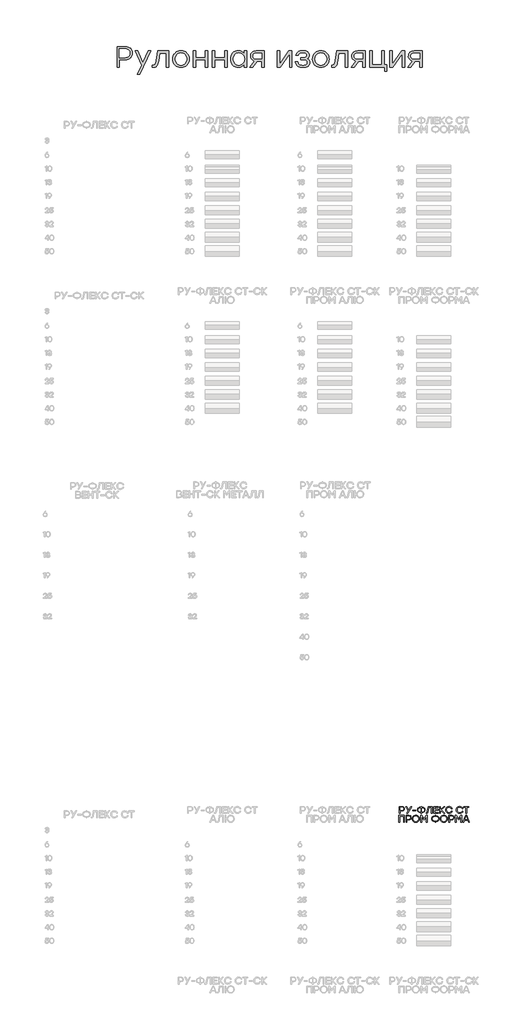
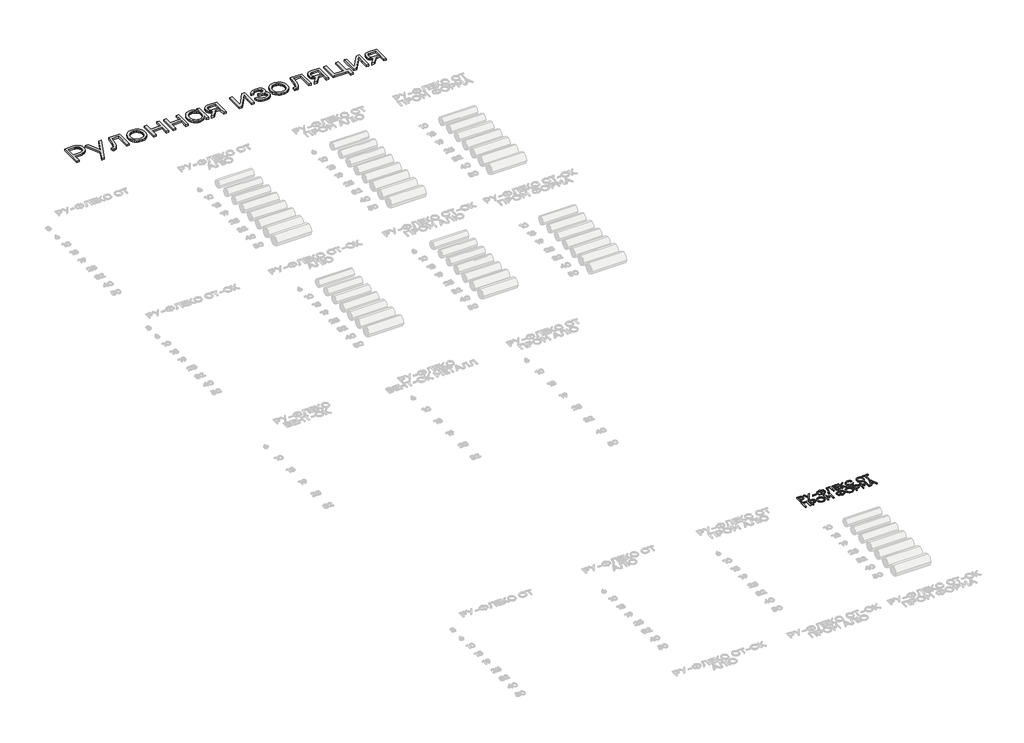
# One storey, part 40 of 41: 2 proxies.
"""IFC4 building model written with IfcOpenShell, lengths in millimetres."""

from ifc_helpers import new_model, si_unit, origin, origin_with_axes, place, context, project, spatial, polyline, outline, extrude, element, save

model = new_model("IFC4")

# Units and contexts
model_context = context("Model", 3, world=origin())
ifc_project = project(units=[si_unit("LENGTHUNIT", "METRE", prefix="MILLI")], contexts=[model_context])

# Site, building, storey
site = spatial("IfcSite", under=ifc_project)
building = spatial("IfcBuilding", under=site)
storey = spatial("IfcBuildingStorey", under=building, Elevation=0.0)

# Proxies
placement = place(None, origin())
element("IfcBuildingElementProxy", 1, Name="Generic Models", at=placement, inside=storey, context=model_context, shape_type="SweptSolid", body=[
    extrude(outline(polyline([(23779.9160393, -5298.1485805), (23826.3264289, -5301.5113586), (23867.3482704, -5311.599693), (23902.9815638, -5328.4135835), (23933.2263092, -5351.9530304), (23957.3329716, -5380.8101233), (23974.5520162, -5413.5769523), (23984.8834429, -5450.2535172), (23988.3272518, -5490.8398182), (23984.8530564, -5532.0034636), (23974.43047, -5569.2776306), (23957.0594927, -5602.6623194), (23932.7401244, -5632.1575299), (23902.3434463, -5656.2641923), (23866.7405394, -5673.4832369), (23825.9314038, -5683.8146636), (23779.9160393, -5687.2584726), (23609.4272403, -5687.2584726), (23609.4272403, -5900.6935945), (23537.9580765, -5900.6935945), (23537.9580765, -5298.1485805), (23779.9160393, -5298.1485805)]), holes=[polyline([(23777.3230538, -5619.1926022), (23809.3048969, -5616.9338687), (23837.1845558, -5610.1576682), (23860.9620306, -5598.8640008), (23880.6373213, -5583.0528663), (23896.058495, -5563.7979229), (23907.0736191, -5542.1728287), (23913.6826936, -5518.1775836), (23915.8857184, -5491.8121877), (23913.6826936, -5465.4974361), (23907.0736191, -5441.6541238), (23896.058495, -5420.2822508), (23880.6373213, -5401.3818172), (23860.9620306, -5385.9251924), (23837.1845558, -5374.8847462), (23809.3048969, -5368.2604785), (23777.3230538, -5366.0523892), (23609.4272403, -5366.0523892), (23609.4272403, -5619.1926022), (23777.3230538, -5619.1926022)])]), origin_with_axes(), (0.0, 0.0, 1.0), 50.0),
    extrude(outline(polyline([(24451.1751701, -5427.1496109), (24527.830305, -5427.1496109), (24208.4068992, -6115.9113941), (24131.7517643, -6115.9113941), (24257.5115628, -5842.9996663), (24065.4685715, -5427.1496109), (24142.1237065, -5427.1496109), (24295.2719147, -5766.3445314), (24451.1751701, -5427.1496109)])), origin_with_axes(), (0.0, 0.0, 1.0), 50.0),
    extrude(outline(polyline([(24732.1899776, -5427.1496109), (25054.0443073, -5427.1496109), (25054.0443073, -5900.6935945), (24982.5751435, -5900.6935945), (24982.5751435, -5494.4051733), (24792.3148297, -5494.4051733), (24757.1474634, -5716.4295598), (24747.3832522, -5764.8150751), (24735.4312095, -5805.7660147), (24721.2913353, -5839.2823785), (24704.9636295, -5865.3641666), (24686.1138401, -5884.9331043), (24664.4077151, -5898.910917), (24639.8452544, -5907.2976046), (24612.4264582, -5910.0931671), (24573.6937367, -5907.5001816), (24573.6937367, -5842.1893584), (24598.6512225, -5843.8099743), (24616.0677796, -5842.0627477), (24631.2053456, -5836.821068), (24644.0639204, -5828.0849351), (24654.6435039, -5815.854349), (24672.0448678, -5775.9669387), (24686.4886075, -5712.2159583), (24732.1899776, -5427.1496109)])), origin_with_axes(), (0.0, 0.0, 1.0), 50.0),
    extrude(outline(polyline([(25410.2556954, -5417.7500384), (25459.5021629, -5422.1358303), (25504.8186367, -5435.2932061), (25546.2051168, -5457.2221658), (25583.6616032, -5487.9227094), (25614.7166565, -5525.2424564), (25636.8988375, -5567.029026), (25650.208146, -5613.2824184), (25654.6445822, -5664.0026335), (25650.2334682, -5714.7177842), (25637.000126, -5760.9559834), (25614.9445556, -5802.7172309), (25584.0667572, -5840.0015268), (25546.7368814, -5870.6666194), (25505.3250792, -5892.570257), (25459.8313505, -5905.7124396), (25410.2556954, -5910.0931671), (25360.9636481, -5905.682053), (25315.6724964, -5892.4487108), (25274.3822404, -5870.3931405), (25237.0928801, -5839.515342), (25206.2150816, -5802.0740489), (25184.1595113, -5760.3279947), (25170.9261691, -5714.2771793), (25166.515055, -5663.9216027), (25170.9565556, -5613.5660262), (25184.2810574, -5567.5152108), (25206.4885605, -5525.7691565), (25237.5790648, -5488.3278634), (25275.020358, -5457.450065), (25316.2802274, -5435.3944946), (25361.3586732, -5422.1611524), (25410.2556954, -5417.7500384)]), holes=[polyline([(25532.4501388, -5536.2170651), (25506.0898073, -5514.1665591), (25476.9237845, -5498.4161978), (25444.9520702, -5488.965981), (25410.1746646, -5485.8159087), (25375.4225811, -5488.9609165), (25343.5268332, -5498.3959401), (25314.487421, -5514.1209793), (25288.3043444, -5536.1360343), (25266.6437992, -5562.9926794), (25251.1719812, -5593.2424892), (25241.8888904, -5626.8854636), (25238.7945268, -5663.9216027), (25241.8888904, -5700.9628063), (25251.1719812, -5734.620974), (25266.6437992, -5764.8961059), (25288.3043444, -5791.788202), (25314.4924854, -5813.8387079), (25343.5470909, -5829.5890693), (25375.4681609, -5839.0392861), (25410.2556954, -5842.1893584), (25445.3268377, -5839.0392861), (25477.4504847, -5829.5890693), (25506.6266364, -5813.8387079), (25532.8552928, -5791.788202), (25554.515838, -5764.8961059), (25569.987656, -5734.620974), (25579.2707468, -5700.9628063), (25582.3651104, -5663.9216027), (25579.2454247, -5626.890528), (25569.8863675, -5593.2627469), (25554.2879389, -5563.0382592), (25532.4501388, -5536.2170651)])]), origin_with_axes(), (0.0, 0.0, 1.0), 50.0),
    extrude(outline(polyline([(26128.6747506, -5427.1496109), (26200.1439145, -5427.1496109), (26200.1439145, -5900.6935945), (26128.6747506, -5900.6935945), (26128.6747506, -5692.282382), (25837.7741857, -5692.282382), (25837.7741857, -5900.6935945), (25766.3050219, -5900.6935945), (25766.3050219, -5427.1496109), (25837.7741857, -5427.1496109), (25837.7741857, -5624.3785733), (26128.6747506, -5624.3785733), (26128.6747506, -5427.1496109)])), origin_with_axes(), (0.0, 0.0, 1.0), 50.0),
    extrude(outline(polyline([(26688.7596265, -5427.1496109), (26760.2287904, -5427.1496109), (26760.2287904, -5900.6935945), (26688.7596265, -5900.6935945), (26688.7596265, -5692.282382), (26397.8590616, -5692.282382), (26397.8590616, -5900.6935945), (26326.3898978, -5900.6935945), (26326.3898978, -5427.1496109), (26397.8590616, -5427.1496109), (26397.8590616, -5624.3785733), (26688.7596265, -5624.3785733), (26688.7596265, -5427.1496109)])), origin_with_axes(), (0.0, 0.0, 1.0), 50.0),
    extrude(outline(polyline([(27271.3710642, -5427.1496109), (27342.6781665, -5427.1496109), (27342.6781665, -5900.6935945), (27271.3710642, -5900.6935945), (27271.3710642, -5805.0772529), (27255.9600193, -5828.3077698), (27238.2497256, -5848.8946569), (27218.2401829, -5866.8379142), (27195.9313913, -5882.1375418), (27171.6373452, -5894.3681279), (27145.6720388, -5903.1042608), (27118.0354723, -5908.3459405), (27088.7276455, -5910.0931671), (27042.6413791, -5905.7630838), (27000.8092297, -5892.772834), (26963.2311971, -5871.1224177), (26929.9072814, -5840.8118348), (26902.6100313, -5803.7756957), (26883.1119955, -5761.9486106), (26871.4131741, -5715.3305796), (26867.5135669, -5663.9216027), (26871.4131741, -5612.5126258), (26883.1119955, -5565.8945948), (26902.6100313, -5524.0675098), (26929.9072814, -5487.0313707), (26963.2311971, -5456.7207878), (27000.8092297, -5435.0703714), (27042.6413791, -5422.0801216), (27088.7276455, -5417.7500384), (27118.0658588, -5419.5276515), (27145.793585, -5424.8604909), (27171.9108241, -5433.7485565), (27196.4175761, -5446.1918485), (27218.8783004, -5461.7548261), (27238.8574565, -5480.0019489), (27256.3550445, -5500.9332169), (27271.3710642, -5524.5486301), (27271.3710642, -5427.1496109)]), holes=[polyline([(27102.5028812, -5842.1893584), (27137.5638946, -5839.0392861), (27169.4950934, -5829.5890693), (27198.2964777, -5813.8387079), (27223.9680474, -5791.788202), (27245.061377, -5764.8961059), (27260.128041, -5734.620974), (27269.1680394, -5700.9628063), (27272.1813722, -5663.9216027), (27269.1680394, -5626.8854636), (27260.128041, -5593.2424892), (27245.061377, -5562.9926794), (27223.9680474, -5536.1360343), (27198.2964777, -5514.1209793), (27169.4950934, -5498.3959401), (27137.5638946, -5488.9609165), (27102.5028812, -5485.8159087), (27068.0546632, -5488.9609165), (27036.989481, -5498.3959401), (27009.3073346, -5514.1209793), (26985.0082241, -5536.1360343), (26965.2265805, -5562.9926794), (26951.0968351, -5593.2424892), (26942.6189878, -5626.8854636), (26939.7930388, -5663.9216027), (26942.6493744, -5701.3578314), (26951.2183813, -5735.228705), (26965.5000594, -5765.5342234), (26985.4944088, -5792.2743868), (27009.9454521, -5814.1121869), (27037.597212, -5829.7106155), (27068.4496883, -5839.0696726), (27102.5028812, -5842.1893584)])]), origin_with_axes(), (0.0, 0.0, 1.0), 50.0),
    extrude(outline(polyline([(27617.0484486, -5427.1496109), (27847.8241613, -5427.1496109), (27847.8241613, -5900.6935945), (27776.3549975, -5900.6935945), (27776.3549975, -5721.6155309), (27652.3778765, -5721.6155309), (27514.6255199, -5900.6935945), (27425.9778269, -5900.6935945), (27574.1021256, -5717.4019294), (27546.404786, -5710.7371463), (27521.8170032, -5701.114739), (27500.3387773, -5688.5347076), (27481.9701083, -5672.9970521), (27467.257954, -5654.5625456), (27456.7492724, -5633.2919611), (27450.4440634, -5609.1852987), (27448.3423271, -5582.2425583), (27451.0872454, -5546.9131304), (27459.3220002, -5515.9593656), (27473.0465917, -5489.3812638), (27492.2610196, -5467.1788251), (27516.5297436, -5449.6660439), (27545.4172231, -5437.1569145), (27578.9234581, -5429.6514368), (27617.0484486, -5427.1496109)]), holes=[polyline([(27623.2067892, -5661.3286172), (27776.3549975, -5661.3286172), (27776.3549975, -5491.8121877), (27619.6414341, -5491.8121877), (27576.3203437, -5497.3526686), (27559.3013439, -5504.2782696), (27545.3767077, -5513.974111), (27534.5464351, -5526.4401928), (27526.8105261, -5541.6765151), (27522.1689807, -5559.6830777), (27520.6217989, -5580.4598808), (27522.2246894, -5599.4134909), (27527.0333608, -5615.839953), (27535.0478132, -5629.739267), (27546.2680465, -5641.1114331), (27560.6940608, -5649.9564511), (27578.325856, -5656.2743212), (27623.2067892, -5661.3286172)])]), origin_with_axes(), (0.0, 0.0, 1.0), 50.0),
    extrude(outline(polyline([(28574.8324811, -5427.1496109), (28662.6698662, -5427.1496109), (28662.6698662, -5900.6935945), (28591.2007023, -5900.6935945), (28591.2007023, -5673.4832369), (28595.5763654, -5514.176688), (28322.6646377, -5900.6935945), (28234.8272526, -5900.6935945), (28234.8272526, -5427.1496109), (28306.2964165, -5427.1496109), (28306.2964165, -5654.5220302), (28301.9207534, -5812.8562095), (28574.8324811, -5427.1496109)])), origin_with_axes(), (0.0, 0.0, 1.0), 50.0),
    extrude(outline(polyline([(29103.9635922, -5650.1463671), (29140.0222973, -5668.3377812), (29154.1013984, -5680.7456222), (29165.5469987, -5695.3615524), (29180.7402733, -5729.2729413), (29185.8046982, -5768.127209), (29182.4925643, -5798.7669795), (29172.5561627, -5826.1857758), (29155.9954933, -5850.3835978), (29132.8105563, -5871.3604456), (29103.8724325, -5888.3060113), (29070.0522032, -5900.4099867), (29031.3498683, -5907.672372), (28987.7654278, -5910.0931671), (28941.0916882, -5907.5508258), (28899.6039196, -5899.923802), (28863.3021221, -5887.2120955), (28832.1862956, -5869.4157065), (28806.2564403, -5846.5346349), (28785.512556, -5818.5688807), (28769.9546427, -5785.518444), (28759.5827006, -5747.3833247), (28832.024234, -5747.3833247), (28839.4866641, -5772.4142446), (28850.2865501, -5794.1077086), (28864.4238922, -5812.4637166), (28881.8986902, -5827.4822685), (28902.7109442, -5839.1633645), (28926.8606543, -5847.5070045), (28954.3478203, -5852.5131885), (28985.1724423, -5854.1819165), (29015.3868011, -5852.6220736), (29041.5293623, -5847.942545), (29063.6001259, -5840.1433307), (29081.5990919, -5829.2244307), (29095.5667757, -5815.722674), (29105.5436927, -5800.1748896), (29111.5298429, -5782.5810776), (29113.5252263, -5762.9412379), (29111.9780445, -5744.3674597), (29107.3364991, -5728.2701852), (29099.6005901, -5714.6494145), (29088.7703175, -5703.5051476), (29074.8456813, -5694.8373844), (29057.8266815, -5688.646125), (29014.5055912, -5683.6931174), (28918.8892495, -5683.6931174), (28918.8892495, -5626.9715588), (28994.5720148, -5626.9715588), (29039.8074578, -5622.6161534), (29057.5785247, -5617.1718967), (29072.1184885, -5609.5499373), (29083.4273493, -5599.7502751), (29091.505107, -5587.7729103), (29096.3517616, -5573.6178428), (29097.9673131, -5557.2850725), (29096.1643779, -5539.5697143), (29090.7555721, -5523.5357452), (29081.7408958, -5509.1831651), (29069.120349, -5496.511974), (29052.6305816, -5486.1602896), (29032.0082435, -5478.7662293), (29007.2533347, -5474.3297931), (28978.3658552, -5472.850981), (28929.4131244, -5477.9660501), (28908.9401868, -5484.3598865), (28891.1362012, -5493.3112575), (28876.0011674, -5504.820163), (28863.5350856, -5518.8866031), (28853.7379557, -5535.5105778), (28846.6097777, -5554.692087), (28774.3303058, -5554.692087), (28783.9375198, -5524.1434762), (28798.1736182, -5497.1602204), (28817.0386008, -5473.7423198), (28840.5324678, -5453.8897743), (28868.6045749, -5438.0786398), (28901.2042778, -5426.7849723), (28938.3315766, -5420.0087719), (28979.9864712, -5417.7500384), (29022.3402564, -5420.0898027), (29059.7815495, -5427.1090955), (29092.3103505, -5438.807917), (29119.9266594, -5455.186267), (29141.9417143, -5475.3325492), (29157.6667536, -5498.335167), (29167.1017771, -5524.1941204), (29170.2467849, -5552.9094094), (29166.1040854, -5585.1191517), (29153.6759867, -5612.061892), (29132.962489, -5633.7376305), (29103.9635922, -5650.1463671)])), origin_with_axes(), (0.0, 0.0, 1.0), 50.0),
    extrude(outline(polyline([(29507.1728431, -5417.7500384), (29556.4193106, -5422.1358303), (29601.7357844, -5435.2932061), (29643.1222645, -5457.2221658), (29680.5787508, -5487.9227094), (29711.6338042, -5525.2424564), (29733.8159851, -5567.029026), (29747.1252937, -5613.2824184), (29751.5617299, -5664.0026335), (29747.1506158, -5714.7177842), (29733.9172736, -5760.9559834), (29711.8617033, -5802.7172309), (29680.9839048, -5840.0015268), (29643.6540291, -5870.6666194), (29602.2422269, -5892.570257), (29556.7484982, -5905.7124396), (29507.1728431, -5910.0931671), (29457.8807958, -5905.682053), (29412.5896441, -5892.4487108), (29371.2993881, -5870.3931405), (29334.0100277, -5839.515342), (29303.1322293, -5802.0740489), (29281.0766589, -5760.3279947), (29267.8433167, -5714.2771793), (29263.4322027, -5663.9216027), (29267.8737033, -5613.5660262), (29281.1982051, -5567.5152108), (29303.4057082, -5525.7691565), (29334.4962125, -5488.3278634), (29371.9375056, -5457.450065), (29413.1973751, -5435.3944946), (29458.2758209, -5422.1611524), (29507.1728431, -5417.7500384)]), holes=[polyline([(29629.3672865, -5536.2170651), (29603.006955, -5514.1665591), (29573.8409322, -5498.4161978), (29541.8692179, -5488.965981), (29507.0918123, -5485.8159087), (29472.3397288, -5488.9609165), (29440.4439809, -5498.3959401), (29411.4045687, -5514.1209793), (29385.2214921, -5536.1360343), (29363.5609469, -5562.9926794), (29348.0891289, -5593.2424892), (29338.8060381, -5626.8854636), (29335.7116745, -5663.9216027), (29338.8060381, -5700.9628063), (29348.0891289, -5734.620974), (29363.5609469, -5764.8961059), (29385.2214921, -5791.788202), (29411.4096331, -5813.8387079), (29440.4642386, -5829.5890693), (29472.3853086, -5839.0392861), (29507.1728431, -5842.1893584), (29542.2439854, -5839.0392861), (29574.3676323, -5829.5890693), (29603.5437841, -5813.8387079), (29629.7724405, -5791.788202), (29651.4329857, -5764.8961059), (29666.9048037, -5734.620974), (29676.1878945, -5700.9628063), (29679.2822581, -5663.9216027), (29676.1625724, -5626.890528), (29666.8035152, -5593.2627469), (29651.2050866, -5563.0382592), (29629.3672865, -5536.2170651)])]), origin_with_axes(), (0.0, 0.0, 1.0), 50.0),
    extrude(outline(polyline([(29980.3927035, -5427.1496109), (30302.2470332, -5427.1496109), (30302.2470332, -5900.6935945), (30230.7778694, -5900.6935945), (30230.7778694, -5494.4051733), (30040.5175556, -5494.4051733), (30005.3501893, -5716.4295598), (29995.5859781, -5764.8150751), (29983.6339354, -5805.7660147), (29969.4940612, -5839.2823785), (29953.1663554, -5865.3641666), (29934.316566, -5884.9331043), (29912.610441, -5898.910917), (29888.0479803, -5907.2976046), (29860.629184, -5910.0931671), (29821.8964626, -5907.5001816), (29821.8964626, -5842.1893584), (29846.8539484, -5843.8099743), (29864.2705055, -5842.0627477), (29879.4080715, -5836.821068), (29892.2666462, -5828.0849351), (29902.8462298, -5815.854349), (29920.2475937, -5775.9669387), (29934.6913334, -5712.2159583), (29980.3927035, -5427.1496109)])), origin_with_axes(), (0.0, 0.0, 1.0), 50.0),
    extrude(outline(polyline([(30583.4239023, -5427.1496109), (30814.1996151, -5427.1496109), (30814.1996151, -5900.6935945), (30742.7304512, -5900.6935945), (30742.7304512, -5721.6155309), (30618.7533303, -5721.6155309), (30481.0009736, -5900.6935945), (30392.3532806, -5900.6935945), (30540.4775794, -5717.4019294), (30512.7802397, -5710.7371463), (30488.192457, -5701.114739), (30466.7142311, -5688.5347076), (30448.345562, -5672.9970521), (30433.6334078, -5654.5625456), (30423.1247262, -5633.2919611), (30416.8195172, -5609.1852987), (30414.7177809, -5582.2425583), (30417.4626992, -5546.9131304), (30425.697454, -5515.9593656), (30439.4220454, -5489.3812638), (30458.6364734, -5467.1788251), (30482.9051974, -5449.6660439), (30511.7926769, -5437.1569145), (30545.2989119, -5429.6514368), (30583.4239023, -5427.1496109)]), holes=[polyline([(30589.582243, -5661.3286172), (30742.7304512, -5661.3286172), (30742.7304512, -5491.8121877), (30586.0168879, -5491.8121877), (30542.6957975, -5497.3526686), (30525.6767977, -5504.2782696), (30511.7521615, -5513.974111), (30500.9218889, -5526.4401928), (30493.1859799, -5541.6765151), (30488.5444345, -5559.6830777), (30486.9972527, -5580.4598808), (30488.6001432, -5599.4134909), (30493.4088146, -5615.839953), (30501.423267, -5629.739267), (30512.6435003, -5641.1114331), (30527.0695145, -5649.9564511), (30544.7013097, -5656.2743212), (30589.582243, -5661.3286172)])]), origin_with_axes(), (0.0, 0.0, 1.0), 50.0),
    extrude(outline(polyline([(31359.3748241, -5833.6000938), (31445.5915932, -5833.6000938), (31445.5915932, -6027.263701), (31374.1224294, -6027.263701), (31374.1224294, -5900.6935945), (31288.0677219, -5900.6935945), (30965.2410226, -5900.6935945), (30941.9041528, -5900.6935945), (30941.9041528, -5427.1496109), (31013.3733166, -5427.1496109), (31013.3733166, -5833.6000938), (31288.0677219, -5833.6000938), (31288.0677219, -5427.1496109), (31359.3748241, -5427.1496109), (31359.3748241, -5833.6000938)])), origin_with_axes(), (0.0, 0.0, 1.0), 50.0),
    extrude(outline(polyline([(31873.1100836, -5427.1496109), (31960.9474686, -5427.1496109), (31960.9474686, -5900.6935945), (31889.4783048, -5900.6935945), (31889.4783048, -5673.4832369), (31893.8539678, -5514.176688), (31620.9422401, -5900.6935945), (31533.1048551, -5900.6935945), (31533.1048551, -5427.1496109), (31604.5740189, -5427.1496109), (31604.5740189, -5654.5220302), (31600.1983558, -5812.8562095), (31873.1100836, -5427.1496109)])), origin_with_axes(), (0.0, 0.0, 1.0), 50.0),
    extrude(outline(polyline([(32242.9346457, -5427.1496109), (32473.7103585, -5427.1496109), (32473.7103585, -5900.6935945), (32402.2411946, -5900.6935945), (32402.2411946, -5721.6155309), (32278.2640736, -5721.6155309), (32140.511717, -5900.6935945), (32051.864024, -5900.6935945), (32199.9883228, -5717.4019294), (32172.2909831, -5710.7371463), (32147.7032003, -5701.114739), (32126.2249744, -5688.5347076), (32107.8563054, -5672.9970521), (32093.1441511, -5654.5625456), (32082.6354695, -5633.2919611), (32076.3302606, -5609.1852987), (32074.2285242, -5582.2425583), (32076.9734425, -5546.9131304), (32085.2081974, -5515.9593656), (32098.9327888, -5489.3812638), (32118.1472168, -5467.1788251), (32142.4159408, -5449.6660439), (32171.3034203, -5437.1569145), (32204.8096552, -5429.6514368), (32242.9346457, -5427.1496109)]), holes=[polyline([(32249.0929864, -5661.3286172), (32402.2411946, -5661.3286172), (32402.2411946, -5491.8121877), (32245.5276312, -5491.8121877), (32202.2065408, -5497.3526686), (32185.1875411, -5504.2782696), (32171.2629049, -5513.974111), (32160.4326323, -5526.4401928), (32152.6967233, -5541.6765151), (32148.0551779, -5559.6830777), (32146.5079961, -5580.4598808), (32148.1108865, -5599.4134909), (32152.919558, -5615.839953), (32160.9340103, -5629.739267), (32172.1542436, -5641.1114331), (32186.5802579, -5649.9564511), (32204.2120531, -5656.2743212), (32249.0929864, -5661.3286172)])]), origin_with_axes(), (0.0, 0.0, 1.0), 50.0),
])
element("IfcBuildingElementProxy", 2, Name="Generic Models", at=placement, inside=storey, context=model_context, shape_type="SweptSolid", body=[
    extrude(outline(polyline([(31887.2580863, -27563.1559111), (31916.277158, -27567.6203837), (31938.1423159, -27581.0138015), (31951.8584666, -27601.4670027), (31956.4305169, -27627.1108256), (31951.818125, -27653.1446175), (31937.9809495, -27674.0146821), (31916.0754499, -27687.7308328), (31887.2580863, -27692.3028831), (31830.672241, -27692.3028831), (31830.672241, -27763.1427673), (31806.9513686, -27763.1427673), (31806.9513686, -27563.1559111), (31887.2580863, -27563.1559111)]), holes=[polyline([(31886.397465, -27669.711576), (31906.2657128, -27666.712849), (31920.6878418, -27657.7166678), (31929.4621441, -27644.1484363), (31932.3869115, -27627.4335586), (31929.4621441, -27610.7859168), (31920.6878418, -27597.4193935), (31906.2657128, -27588.6249204), (31886.397465, -27585.6934293), (31830.672241, -27585.6934293), (31830.672241, -27669.711576), (31886.397465, -27669.711576)])]), origin_with_axes(), (0.0, 0.0, 1.0), 20.0),
    extrude(outline(polyline([(32165.4538959, -27563.1559111), (32052.3359942, -27763.1427673), (32025.4953698, -27763.1427673), (32066.9127661, -27690.5816406), (31994.0289065, -27563.1559111), (32020.9233196, -27563.1559111), (32080.0372397, -27665.1395258), (32138.8822157, -27563.1559111), (32165.4538959, -27563.1559111)])), origin_with_axes(), (0.0, 0.0, 1.0), 20.0),
    extrude(outline(polyline([(32292.0190041, -27665.7312029), (32292.0190041, -27688.2687211), (32199.3946453, -27688.2687211), (32199.3946453, -27665.7312029), (32292.0190041, -27665.7312029)])), origin_with_axes(), (0.0, 0.0, 1.0), 20.0),
    extrude(outline(polyline([(32482.5928157, -27585.6934293), (32514.2408164, -27590.8033678), (32540.0123878, -27606.1331833), (32550.0019814, -27617.2355333), (32557.1374054, -27630.1028291), (32562.8457446, -27661.1322582), (32557.1710234, -27692.1616874), (32550.0776219, -27705.0289832), (32540.1468599, -27716.1313331), (32514.4089065, -27731.4611486), (32482.5928157, -27736.5710871), (32462.8523165, -27736.5710871), (32462.8523165, -27763.1427673), (32439.1314441, -27763.1427673), (32439.1314441, -27736.5710871), (32419.1757895, -27736.5710871), (32387.3193571, -27731.4611486), (32361.5679565, -27716.1313331), (32351.6371945, -27705.0289832), (32344.543793, -27692.1616874), (32338.8690719, -27661.1322582), (32344.5841346, -27630.1028291), (32351.7279631, -27617.2355333), (32361.729323, -27606.1331833), (32387.5210652, -27590.8033678), (32419.1757895, -27585.6934293), (32439.1314441, -27585.6934293), (32439.1314441, -27563.1559111), (32462.8523165, -27563.1559111), (32462.8523165, -27585.6934293), (32482.5928157, -27585.6934293)]), holes=[polyline([(32482.5928157, -27713.9797801), (32505.19757, -27710.5171244), (32523.3109572, -27700.1291573), (32535.211735, -27683.4546211), (32539.178661, -27661.1322582), (32535.211735, -27638.8098953), (32523.3109572, -27622.1353592), (32505.19757, -27611.7473921), (32482.5928157, -27608.2847364), (32462.8523165, -27608.2847364), (32462.8523165, -27713.9797801), (32482.5928157, -27713.9797801)]), polyline([(32419.1757895, -27713.9797801), (32439.1314441, -27713.9797801), (32439.1314441, -27608.2847364), (32419.1757895, -27608.2847364), (32396.7727434, -27611.7473921), (32378.7265921, -27622.1353592), (32366.8258143, -27638.8098953), (32362.8588884, -27661.1322582), (32366.7854727, -27683.4546211), (32378.5652257, -27700.1291573), (32396.5710353, -27710.5171244), (32419.1757895, -27713.9797801)])]), origin_with_axes(), (0.0, 0.0, 1.0), 20.0),
    extrude(outline(polyline([(32652.511718, -27563.1559111), (32772.7835336, -27563.1559111), (32772.7835336, -27763.1427673), (32749.0626612, -27763.1427673), (32749.0626612, -27585.6934293), (32672.4673725, -27585.6934293), (32653.3723392, -27701.9848718), (32646.2722141, -27732.0057605), (32636.4826478, -27751.7126417), (32623.2774909, -27762.6250498), (32605.9305944, -27766.2625192), (32590.2242571, -27765.401898), (32590.2242571, -27743.725001), (32601.3585442, -27744.2628893), (32612.055797, -27741.9768642), (32619.6198507, -27735.1187888), (32629.9204109, -27700.5863623), (32652.511718, -27563.1559111)])), origin_with_axes(), (0.0, 0.0, 1.0), 20.0),
    extrude(outline(polyline([(32949.3722503, -27585.6934293), (32846.2052815, -27585.6934293), (32846.2052815, -27649.1642444), (32942.4872806, -27649.1642444), (32942.4872806, -27671.7017626), (32846.2052815, -27671.7017626), (32846.2052815, -27740.5514603), (32949.3722503, -27740.5514603), (32949.3722503, -27763.1427673), (32822.4844091, -27763.1427673), (32822.4844091, -27563.1559111), (32949.3722503, -27563.1559111), (32949.3722503, -27585.6934293)])), origin_with_axes(), (0.0, 0.0, 1.0), 20.0),
    extrude(outline(polyline([(33136.0194776, -27763.1427673), (33105.4674242, -27763.1427673), (33011.4445559, -27666.000147), (33011.4445559, -27763.1427673), (32987.7236835, -27763.1427673), (32987.7236835, -27563.1559111), (33011.4445559, -27563.1559111), (33011.4445559, -27656.8560465), (33102.3476723, -27563.1559111), (33132.6307815, -27563.1559111), (33038.0162361, -27661.1591526), (33136.0194776, -27763.1427673)])), origin_with_axes(), (0.0, 0.0, 1.0), 20.0),
    extrude(outline(polyline([(33265.0588719, -27766.2625192), (33243.8610316, -27764.4236137), (33224.5357149, -27758.9068972), (33207.0829216, -27749.7123697), (33191.5026519, -27736.8400312), (33178.6891449, -27721.1992491), (33169.53664, -27703.6993906), (33164.045137, -27684.3404559), (33162.214636, -27663.1224448), (33164.045137, -27641.9044337), (33169.53664, -27622.545499), (33178.6891449, -27605.0456405), (33191.5026519, -27589.4048584), (33207.0829216, -27576.5325199), (33224.5357149, -27567.3379924), (33243.8610316, -27561.8212759), (33265.0588719, -27559.9823704), (33296.5387825, -27564.5208026), (33324.0652143, -27578.1360993), (33345.8093473, -27599.3894092), (33359.9423615, -27626.8418815), (33334.5002466, -27626.8418815), (33323.036503, -27608.6343638), (33306.9334731, -27594.5685857), (33287.1862503, -27585.5724045), (33264.7899277, -27582.5736774), (33233.888247, -27588.3223582), (33208.6343931, -27605.5684007), (33191.8119377, -27631.4609969), (33186.2044525, -27663.1493392), (33191.8119377, -27694.8376815), (33208.6343931, -27720.7302778), (33233.888247, -27737.9763202), (33264.7899277, -27743.725001), (33287.1862503, -27740.7262739), (33306.9334731, -27731.7300927), (33323.036503, -27717.6508675), (33334.5002466, -27699.4030081), (33359.9423615, -27699.4030081), (33345.8093473, -27726.8890984), (33324.0652143, -27748.1356848), (33296.5387825, -27761.7308106), (33265.0588719, -27766.2625192)])), origin_with_axes(), (0.0, 0.0, 1.0), 20.0),
    extrude(outline(polyline([(33578.3249962, -27766.2625192), (33557.127156, -27764.4236137), (33537.8018392, -27758.9068972), (33520.349046, -27749.7123697), (33504.7687763, -27736.8400312), (33491.9552693, -27721.1992491), (33482.8027643, -27703.6993906), (33477.3112613, -27684.3404559), (33475.4807603, -27663.1224448), (33477.3112613, -27641.9044337), (33482.8027643, -27622.545499), (33491.9552693, -27605.0456405), (33504.7687763, -27589.4048584), (33520.349046, -27576.5325199), (33537.8018392, -27567.3379924), (33557.127156, -27561.8212759), (33578.3249962, -27559.9823704), (33609.8049068, -27564.5208026), (33637.3313387, -27578.1360993), (33659.0754717, -27599.3894092), (33673.2084858, -27626.8418815), (33647.766371, -27626.8418815), (33636.3026274, -27608.6343638), (33620.1995975, -27594.5685857), (33600.4523746, -27585.5724045), (33578.0560521, -27582.5736774), (33547.1543714, -27588.3223582), (33521.9005174, -27605.5684007), (33505.078062, -27631.4609969), (33499.4705769, -27663.1493392), (33505.078062, -27694.8376815), (33521.9005174, -27720.7302778), (33547.1543714, -27737.9763202), (33578.0560521, -27743.725001), (33600.4523746, -27740.7262739), (33620.1995975, -27731.7300927), (33636.3026274, -27717.6508675), (33647.766371, -27699.4030081), (33673.2084858, -27699.4030081), (33659.0754717, -27726.8890984), (33637.3313387, -27748.1356848), (33609.8049068, -27761.7308106), (33578.3249962, -27766.2625192)])), origin_with_axes(), (0.0, 0.0, 1.0), 20.0),
    extrude(outline(polyline([(33848.1297489, -27563.1559111), (33848.1297489, -27585.6934293), (33783.5293685, -27585.6934293), (33783.5293685, -27763.1427673), (33759.539552, -27763.1427673), (33759.539552, -27585.6934293), (33695.2619046, -27585.6934293), (33695.2619046, -27563.1559111), (33848.1297489, -27563.1559111)])), origin_with_axes(), (0.0, 0.0, 1.0), 20.0),
    extrude(outline(polyline([(31954.9244297, -27821.6781541), (31954.9244297, -28021.6650103), (31931.2035573, -28021.6650103), (31931.2035573, -27844.2156724), (31815.181059, -27844.2156724), (31815.181059, -28021.6650103), (31791.4601866, -28021.6650103), (31791.4601866, -27821.6781541), (31815.181059, -27821.6781541), (31954.9244297, -27821.6781541)])), origin_with_axes(), (0.0, 0.0, 1.0), 20.0),
    extrude(outline(polyline([(32085.200967, -27821.6781541), (32114.2200388, -27826.1426267), (32136.0851967, -27839.5360445), (32149.8013474, -27859.9892457), (32154.3733977, -27885.6330686), (32149.7610058, -27911.6668605), (32135.9238302, -27932.5369251), (32114.0183307, -27946.2530758), (32085.200967, -27950.8251261), (32028.6151218, -27950.8251261), (32028.6151218, -28021.6650103), (32004.8942494, -28021.6650103), (32004.8942494, -27821.6781541), (32085.200967, -27821.6781541)]), holes=[polyline([(32084.3403458, -27928.233819), (32104.2085935, -27925.235092), (32118.6307226, -27916.2389108), (32127.4050249, -27902.6706793), (32130.3297923, -27885.9558016), (32127.4050249, -27869.3081598), (32118.6307226, -27855.9416365), (32104.2085935, -27847.1471634), (32084.3403458, -27844.2156724), (32028.6151218, -27844.2156724), (32028.6151218, -27928.233819), (32084.3403458, -27928.233819)])]), origin_with_axes(), (0.0, 0.0, 1.0), 20.0),
    extrude(outline(polyline([(32218.973778, -27848.0884679), (32234.7675222, -27835.1455315), (32252.2959559, -27825.900577), (32271.5590793, -27820.3536043), (32292.5568924, -27818.5046134), (32313.5362156, -27820.3536043), (32332.7438693, -27825.900577), (32350.1798535, -27835.1455315), (32365.8441682, -27848.0884679), (32378.7753383, -27863.7813579), (32388.0118883, -27881.2761737), (32393.5538183, -27900.5729151), (32395.4011283, -27921.6715822), (32393.5437329, -27942.7685684), (32387.9715467, -27962.0602672), (32378.6845696, -27979.5466784), (32365.6828018, -27995.2278022), (32349.9495701, -28008.1589722), (32332.4682015, -28017.3955222), (32313.2386961, -28022.9374522), (32292.2610539, -28024.7847622), (32271.2834116, -28022.9374522), (32252.0539062, -28017.3955222), (32234.5725377, -28008.1589722), (32218.839306, -27995.2278022), (32205.8375381, -27979.5466784), (32196.5505611, -27962.0602672), (32190.9783748, -27942.7685684), (32189.1209794, -27921.6715822), (32190.9867794, -27900.5729151), (32196.5841791, -27881.2761737), (32205.9131786, -27863.7813579), (32218.973778, -27848.0884679)]), holes=[polyline([(32292.2879483, -27841.0959204), (32261.480398, -27846.8782193), (32235.9710471, -27864.2251157), (32218.8258588, -27890.1446064), (32213.110796, -27921.6446878), (32218.8258588, -27953.1514928), (32235.9710471, -27979.0911543), (32261.480398, -27996.4582216), (32292.2879483, -28002.247244), (32323.256865, -27996.4985632), (32348.7124271, -27979.2525208), (32365.7365906, -27953.3599245), (32371.4113118, -27921.6715822), (32365.7365906, -27889.9832399), (32348.7124271, -27864.0906437), (32323.256865, -27846.8446012), (32292.2879483, -27841.0959204)])]), origin_with_axes(), (0.0, 0.0, 1.0), 20.0),
    extrude(outline(polyline([(32593.2364314, -27821.6781541), (32622.3899753, -27821.6781541), (32622.3899753, -28021.6650103), (32598.6691029, -28021.6650103), (32598.6691029, -27852.2302075), (32530.9489706, -27954.5365551), (32528.6898399, -27954.5365551), (32460.9697075, -27852.2302075), (32460.9697075, -28021.6650103), (32437.2488351, -28021.6650103), (32437.2488351, -27821.6781541), (32466.402379, -27821.6781541), (32529.8194052, -27917.099532), (32593.2364314, -27821.6781541)])), origin_with_axes(), (0.0, 0.0, 1.0), 20.0),
    extrude(outline(polyline([(32897.4122441, -27844.2156724), (32929.0602448, -27849.3256109), (32954.8318162, -27864.6554263), (32964.8214098, -27875.7577763), (32971.9568338, -27888.6250721), (32977.665173, -27919.6545012), (32971.9904518, -27950.6839304), (32964.8970503, -27963.5512262), (32954.9662883, -27974.6535761), (32929.2283349, -27989.9833916), (32897.4122441, -27995.0933301), (32877.6717449, -27995.0933301), (32877.6717449, -28021.6650103), (32853.9508725, -28021.6650103), (32853.9508725, -27995.0933301), (32833.9952179, -27995.0933301), (32802.1387855, -27989.9833916), (32776.387385, -27974.6535761), (32766.4566229, -27963.5512262), (32759.3632214, -27950.6839304), (32753.6885003, -27919.6545012), (32759.403563, -27888.6250721), (32766.5473915, -27875.7577763), (32776.5487514, -27864.6554263), (32802.3404936, -27849.3256109), (32833.9952179, -27844.2156724), (32853.9508725, -27844.2156724), (32853.9508725, -27821.6781541), (32877.6717449, -27821.6781541), (32877.6717449, -27844.2156724), (32897.4122441, -27844.2156724)]), holes=[polyline([(32833.9952179, -27972.5020231), (32853.9508725, -27972.5020231), (32853.9508725, -27866.8069794), (32833.9952179, -27866.8069794), (32811.5921718, -27870.2696351), (32793.5460205, -27880.6576022), (32781.6452427, -27897.3321383), (32777.6783168, -27919.6545012), (32781.6049011, -27941.9768642), (32793.3846541, -27958.6514003), (32811.3904637, -27969.0393674), (32833.9952179, -27972.5020231)]), polyline([(32897.4122441, -27972.5020231), (32920.0169984, -27969.0393674), (32938.1303856, -27958.6514003), (32950.0311634, -27941.9768642), (32953.9980894, -27919.6545012), (32950.0311634, -27897.3321383), (32938.1303856, -27880.6576022), (32920.0169984, -27870.2696351), (32897.4122441, -27866.8069794), (32877.6717449, -27866.8069794), (32877.6717449, -27972.5020231), (32897.4122441, -27972.5020231)])]), origin_with_axes(), (0.0, 0.0, 1.0), 20.0),
    extrude(outline(polyline([(33041.7276651, -27848.0884679), (33057.5214092, -27835.1455315), (33075.049843, -27825.900577), (33094.3129664, -27820.3536043), (33115.3107795, -27818.5046134), (33136.2901026, -27820.3536043), (33155.4977563, -27825.900577), (33172.9337405, -27835.1455315), (33188.5980553, -27848.0884679), (33201.5292253, -27863.7813579), (33210.7657753, -27881.2761737), (33216.3077053, -27900.5729151), (33218.1550153, -27921.6715822), (33216.2976199, -27942.7685684), (33210.7254337, -27962.0602672), (33201.4384567, -27979.5466784), (33188.4366888, -27995.2278022), (33172.7034571, -28008.1589722), (33155.2220886, -28017.3955222), (33135.9925832, -28022.9374522), (33115.0149409, -28024.7847622), (33094.0372987, -28022.9374522), (33074.8077932, -28017.3955222), (33057.3264247, -28008.1589722), (33041.593193, -27995.2278022), (33028.5914252, -27979.5466784), (33019.3044481, -27962.0602672), (33013.7322619, -27942.7685684), (33011.8748665, -27921.6715822), (33013.7406664, -27900.5729151), (33019.3380661, -27881.2761737), (33028.6670657, -27863.7813579), (33041.7276651, -27848.0884679)]), holes=[polyline([(33115.0418353, -27841.0959204), (33084.2342851, -27846.8782193), (33058.7249342, -27864.2251157), (33041.5797458, -27890.1446064), (33035.864683, -27921.6446878), (33041.5797458, -27953.1514928), (33058.7249342, -27979.0911543), (33084.2342851, -27996.4582216), (33115.0418353, -28002.247244), (33146.0107521, -27996.4985632), (33171.4663141, -27979.2525208), (33188.4904776, -27953.3599245), (33194.1651988, -27921.6715822), (33188.4904776, -27889.9832399), (33171.4663141, -27864.0906437), (33146.0107521, -27846.8446012), (33115.0418353, -27841.0959204)])]), origin_with_axes(), (0.0, 0.0, 1.0), 20.0),
    extrude(outline(polyline([(33341.7079493, -27821.6781541), (33370.7270211, -27826.1426267), (33392.592179, -27839.5360445), (33406.3083297, -27859.9892457), (33410.88038, -27885.6330686), (33406.2679881, -27911.6668605), (33392.4308125, -27932.5369251), (33370.525313, -27946.2530758), (33341.7079493, -27950.8251261), (33285.1221041, -27950.8251261), (33285.1221041, -28021.6650103), (33261.4012317, -28021.6650103), (33261.4012317, -27821.6781541), (33341.7079493, -27821.6781541)]), holes=[polyline([(33340.8473281, -27928.233819), (33360.7155758, -27925.235092), (33375.1377049, -27916.2389108), (33383.9120072, -27902.6706793), (33386.8367746, -27885.9558016), (33383.9120072, -27869.3081598), (33375.1377049, -27855.9416365), (33360.7155758, -27847.1471634), (33340.8473281, -27844.2156724), (33285.1221041, -27844.2156724), (33285.1221041, -27928.233819), (33340.8473281, -27928.233819)])]), origin_with_axes(), (0.0, 0.0, 1.0), 20.0),
    extrude(outline(polyline([(33608.7694719, -27821.6781541), (33637.9230158, -27821.6781541), (33637.9230158, -28021.6650103), (33614.2021434, -28021.6650103), (33614.2021434, -27852.2302075), (33546.4820111, -27954.5365551), (33544.2228803, -27954.5365551), (33476.502748, -27852.2302075), (33476.502748, -28021.6650103), (33452.7818756, -28021.6650103), (33452.7818756, -27821.6781541), (33481.9354195, -27821.6781541), (33545.3524457, -27917.099532), (33608.7694719, -27821.6781541)])), origin_with_axes(), (0.0, 0.0, 1.0), 20.0),
    extrude(outline(polyline([(33838.2863937, -28021.6650103), (33814.5655213, -27961.6366802), (33721.7260071, -27961.6366802), (33698.0051347, -28021.6650103), (33672.8857528, -28021.6650103), (33752.8697376, -27821.6781541), (33783.4217909, -27821.6781541), (33863.4595644, -28021.6650103), (33838.2863937, -28021.6650103)]), holes=[polyline([(33730.8701076, -27939.0991619), (33805.7441538, -27939.0991619), (33768.3071307, -27844.2156724), (33730.8701076, -27939.0991619)])]), origin_with_axes(), (0.0, 0.0, 1.0), 20.0),
])

save(model, "model.ifc")
